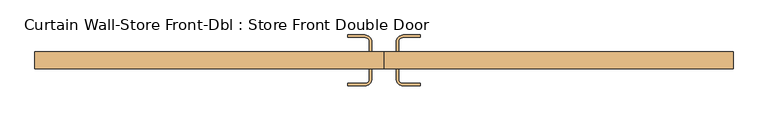
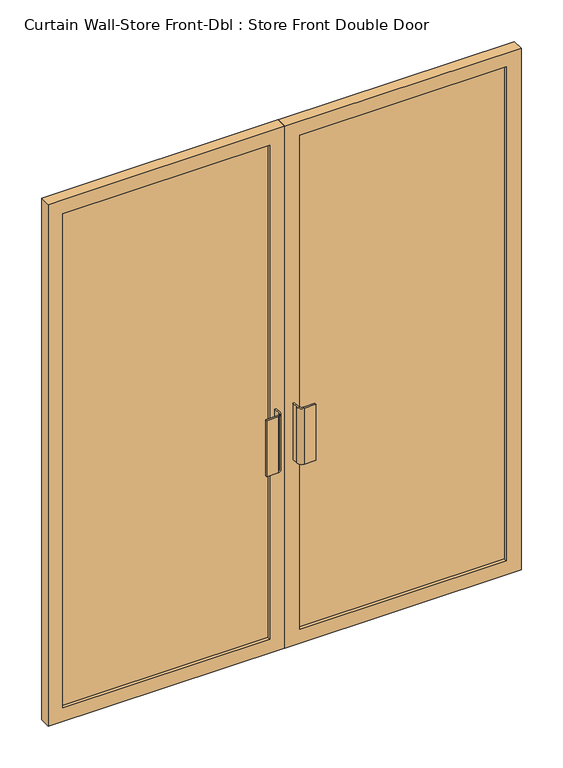
"""IFC4 building model written with IfcOpenShell, lengths in millimetres: door geometry, Curtain Wall-Store Front-Dbl : Store Front Double Door."""

from ifc_helpers import new_model, si_unit, point, frame, frame_2d, origin, place, context, project, spatial, polyline, circle_curve, trimmed, segment, composite_curve, outline, extrude, source, transform, mapped, element, save


def curtain_wall_store_front_dbl_store_front_double_door_0692e145(model_context):
    return source(origin(), model_context, "Body", "SweptSolid", [
        extrude(outline(composite_curve([segment(trimmed(circle_curve(frame_2d((-50.8, -12.7)), 19.05), [point((-31.75, -12.7))], [point((-50.8, -31.75))], False, "CARTESIAN"), True, "CONTINUOUS"), segment(polyline([(-50.8, -31.75), (-95.25, -31.75), (-95.25, -25.4), (-50.8, -25.4)]), True, "CONTINUOUS"), segment(trimmed(circle_curve(frame_2d((-50.8, -12.7)), 12.7), [point((-50.8, -25.4))], [point((-38.1, -12.7))], True, "CARTESIAN"), True, "CONTINUOUS"), segment(polyline([(-38.1, -12.7), (-38.1, 12.7), (-31.75, 12.7), (-31.75, -12.7)]), True, "CONTINUOUS")], self_intersect=False)), frame((0.0, 0.0, 762.0), z_axis=(0.0, 0.0, 1.0), x_axis=(1.0, 0.0, 0.0)), (0.0, 0.0, 1.0), 228.6),
        extrude(outline(composite_curve([segment(polyline([(31.75, -12.7), (31.75, 12.7), (38.1, 12.7), (38.1, -12.7)]), True, "CONTINUOUS"), segment(trimmed(circle_curve(frame_2d((50.8, -12.7)), 12.7), [point((38.1, -12.7))], [point((50.8, -25.4))], True, "CARTESIAN"), True, "CONTINUOUS"), segment(polyline([(50.8, -25.4), (95.25, -25.4), (95.25, -31.75), (50.8, -31.75)]), True, "CONTINUOUS"), segment(trimmed(circle_curve(frame_2d((50.8, -12.7)), 19.05), [point((50.8, -31.75))], [point((31.75, -12.7))], False, "CARTESIAN"), True, "CONTINUOUS")], self_intersect=False)), frame((0.0, 0.0, 762.0), z_axis=(0.0, 0.0, 1.0), x_axis=(1.0, 0.0, 0.0)), (0.0, 0.0, 1.0), 228.6),
        extrude(outline(composite_curve([segment(polyline([(-31.75, 82.55), (-31.75, 57.15), (-38.1, 57.15), (-38.1, 82.55)]), True, "CONTINUOUS"), segment(trimmed(circle_curve(frame_2d((-50.8, 82.55)), 12.7), [point((-38.1, 82.55))], [point((-50.8, 95.25))], True, "CARTESIAN"), True, "CONTINUOUS"), segment(polyline([(-50.8, 95.25), (-95.25, 95.25), (-95.25, 101.6), (-50.8, 101.6)]), True, "CONTINUOUS"), segment(trimmed(circle_curve(frame_2d((-50.8, 82.55)), 19.05), [point((-50.8, 101.6))], [point((-31.75, 82.55))], False, "CARTESIAN"), True, "CONTINUOUS")], self_intersect=False)), frame((0.0, 0.0, 762.0), z_axis=(0.0, 0.0, 1.0), x_axis=(1.0, 0.0, 0.0)), (0.0, 0.0, 1.0), 228.6),
        extrude(outline(composite_curve([segment(trimmed(circle_curve(frame_2d((50.8, 82.55)), 19.05), [point((31.75, 82.55))], [point((50.8, 101.6))], False, "CARTESIAN"), True, "CONTINUOUS"), segment(polyline([(50.8, 101.6), (95.25, 101.6), (95.25, 95.25), (50.8, 95.25)]), True, "CONTINUOUS"), segment(trimmed(circle_curve(frame_2d((50.8, 82.55)), 12.7), [point((50.8, 95.25))], [point((38.1, 82.55))], True, "CARTESIAN"), True, "CONTINUOUS"), segment(polyline([(38.1, 82.55), (38.1, 57.15), (31.75, 57.15), (31.75, 82.55)]), True, "CONTINUOUS")], self_intersect=False)), frame((0.0, 0.0, 762.0), z_axis=(0.0, 0.0, 1.0), x_axis=(1.0, 0.0, 0.0)), (0.0, 0.0, 1.0), 228.6),
        extrude(outline(polyline([(857.25, 25.4), (57.94375, 25.4), (57.94375, 44.45), (857.25, 44.45), (857.25, 25.4)])), frame((0.0, 0.0, 57.15), z_axis=(0.0, 0.0, 1.0), x_axis=(1.0, 0.0, 0.0)), (0.0, 0.0, 1.0), 2019.3),
        extrude(outline(polyline([(-57.94375, 25.4), (-857.25, 25.4), (-857.25, 44.45), (-57.94375, 44.45), (-57.94375, 25.4)])), frame((0.0, 0.0, 57.15), z_axis=(0.0, 0.0, 1.0), x_axis=(1.0, 0.0, 0.0)), (0.0, 0.0, 1.0), 2019.3),
        extrude(outline(polyline([(2133.6, 0.79375), (0.0, 0.79375), (0.0, 914.4), (2133.6, 914.4), (2133.6, 0.79375)]), holes=[polyline([(2076.45, 57.94375), (2076.45, 857.25), (57.15, 857.25), (57.15, 57.94375), (2076.45, 57.94375)])]), frame((0.0, 12.7, 0.0), z_axis=(0.0, 1.0, 0.0), x_axis=(0.0, 0.0, 1.0)), (0.0, 0.0, 1.0), 44.45),
        extrude(outline(polyline([(2133.6, -0.79375), (2133.6, -914.4), (0.0, -914.4), (0.0, -0.79375), (2133.6, -0.79375)]), holes=[polyline([(2076.45, -857.25), (2076.45, -57.94375), (57.15, -57.94375), (57.15, -857.25), (2076.45, -857.25)])]), frame((0.0, 12.7, 0.0), z_axis=(0.0, 1.0, 0.0), x_axis=(0.0, 0.0, 1.0)), (0.0, 0.0, 1.0), 44.45),
    ])


if __name__ == "__main__":
    model = new_model("IFC4")
    model_context = context("Model", 3, world=origin())
    ifc_project = project(units=[si_unit("LENGTHUNIT", "METRE", prefix="MILLI")], contexts=[model_context])
    site = spatial("IfcSite", under=ifc_project)
    building = spatial("IfcBuilding", under=site)
    placement = place(None, origin())
    curtain_wall_store_front_dbl_store_front_double_door_shape = curtain_wall_store_front_dbl_store_front_double_door_0692e145(model_context)
    element("IfcDoor", 1, ObjectType="Curtain Wall-Store Front-Dbl : Store Front Double Door", at=placement, inside=building, context=model_context, shape_type="MappedRepresentation", body=[
        mapped(curtain_wall_store_front_dbl_store_front_double_door_shape, transform((0.0, 0.0, 0.0), x_axis=(1.0, 0.0, 0.0), y_axis=(0.0, 1.0, 0.0), z_axis=(0.0, 0.0, 1.0))),
    ])
    save(model, "model.ifc")
